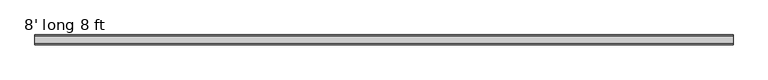
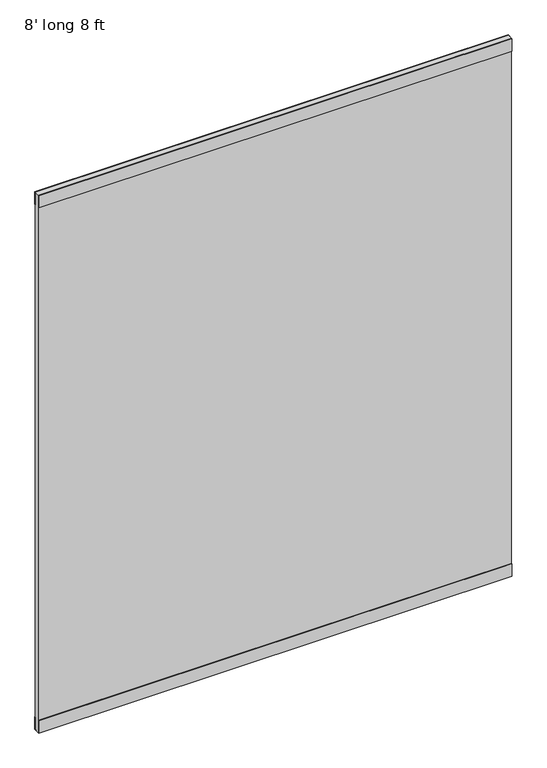
"""IFC4 building model written with IfcOpenShell, lengths in millimetres: furniture geometry, 8' long 8 ft."""

from ifc_helpers import new_model, si_unit, frame, origin, origin_with_axes, place, context, project, spatial, polyline, outline, extrude, source, transform, mapped, element, save


def furniture_8_long_8_ft_593c0e63(model_context):
    return source(origin(), model_context, "Body", "SweptSolid", [
        extrude(outline(polyline([(1828.8, 9.7028), (1828.8, -9.7028), (0.0, -9.7028), (0.0, 9.7028), (1828.8, 9.7028)])), origin_with_axes(), (0.0, 0.0, 1.0), 2194.56),
        extrude(outline(polyline([(-12.7, 2194.56), (12.7, 2194.56), (12.7, 2143.76), (9.7028, 2143.76), (9.7028, 2191.5628), (-9.7028, 2191.5628), (-9.7028, 2143.76), (-12.7, 2143.76), (-12.7, 2194.56)])), frame((0.0, 0.0, 0.0), z_axis=(1.0, 0.0, 0.0), x_axis=(0.0, 1.0, 0.0)), (0.0, 0.0, 1.0), 1828.8),
        extrude(outline(polyline([(-9.7028, 50.8), (-9.7028, 2.9972), (9.7028, 2.9972), (9.7028, 50.8), (12.7, 50.8), (12.7, 0.0), (-12.7, 0.0), (-12.7, 50.8), (-9.7028, 50.8)])), frame((0.0, 0.0, 0.0), z_axis=(1.0, 0.0, 0.0), x_axis=(0.0, 1.0, 0.0)), (0.0, 0.0, 1.0), 1828.8),
    ])


if __name__ == "__main__":
    model = new_model("IFC4")
    model_context = context("Model", 3, world=origin())
    ifc_project = project(units=[si_unit("LENGTHUNIT", "METRE", prefix="MILLI")], contexts=[model_context])
    site = spatial("IfcSite", under=ifc_project)
    building = spatial("IfcBuilding", under=site)
    placement = place(None, origin())
    furniture_8_long_8_ft_shape = furniture_8_long_8_ft_593c0e63(model_context)
    element("IfcFurniture", 1, ObjectType="8' long 8 ft", at=placement, inside=building, context=model_context, shape_type="MappedRepresentation", body=[
        mapped(furniture_8_long_8_ft_shape, transform((0.0, 0.0, 0.0), x_axis=(1.0, 0.0, 0.0), y_axis=(0.0, 1.0, 0.0), z_axis=(0.0, 0.0, 1.0))),
    ])
    save(model, "model.ifc")
